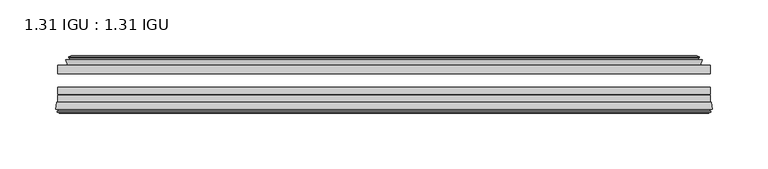
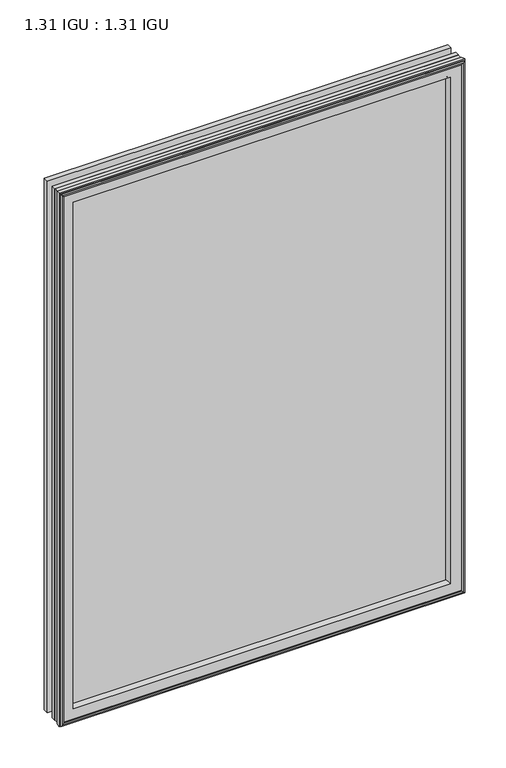
"""IFC4 building model written with IfcOpenShell, lengths in millimetres: plate geometry, 1.31 IGU : 1.31 IGU."""

import ifcopenshell
import ifcopenshell.guid

model = None  # the IFC model being written
_history = None  # IfcOwnerHistory: only IFC2X3 demands one
_inside = {}  # id of a spatial element -> (the spatial element, [elements in it])
_under = {}  # id of a project, library or spatial element -> (it, [spatial elements below it])
_declared = {}  # id of a project -> (the project, [libraries it declares])
_typed = {}  # id of a type object -> (the type object, [elements of that type])
_made_of = {}  # id of a material, layer set ... -> (it, [elements and type objects made of it])


def new_model(schema):
    """Start an empty IFC model of exactly this schema.

    Asked for "IFC4X3", IfcOpenShell would pick the latest addendum, in which some entities
    have other attributes; the version numbers below select the first issue.
    IFC2X3 requires an IfcOwnerHistory on every rooted entity: one is made here for all.
    """
    global model, _history
    if schema == "IFC4X3":
        model = ifcopenshell.file(schema_version=(4, 3, 0, 0))
    else:
        model = ifcopenshell.file(schema=schema)
    _inside.clear()
    _under.clear()
    _declared.clear()
    _typed.clear()
    _made_of.clear()
    _history = None
    if model.schema == "IFC2X3":
        org = make("IfcOrganization", Name="unknown")
        user = make(
            "IfcPersonAndOrganization",
            ThePerson=make("IfcPerson", FamilyName="unknown"),
            TheOrganization=org,
        )
        app = make(
            "IfcApplication",
            ApplicationDeveloper=org,
            Version="unknown",
            ApplicationFullName="unknown",
            ApplicationIdentifier="unknown",
        )
        _history = make(
            "IfcOwnerHistory",
            OwningUser=user,
            OwningApplication=app,
            ChangeAction="ADDED",
            CreationDate=0,
        )
    return model


def make(cls, **values):
    """One entity of the class cls with the attributes given. An attribute that is None is left unset."""
    return model.create_entity(
        cls, **{name: value for name, value in values.items() if value is not None}
    )


def rooted(cls, **values):
    """An entity with a GlobalId (a new one), such as an element, a storey or a relation."""
    return make(cls, GlobalId=ifcopenshell.guid.new(), OwnerHistory=_history, **values)


def si_unit(unit_type, name, prefix=None):
    """IfcSIUnit, for example si_unit("LENGTHUNIT", "METRE", prefix="MILLI")."""
    return make("IfcSIUnit", UnitType=unit_type, Prefix=prefix, Name=name)


def assignment(units):
    """IfcUnitAssignment: the units of a project."""
    return None if units is None else make("IfcUnitAssignment", Units=units)


def point(xyz):
    """IfcCartesianPoint."""
    return None if xyz is None else make("IfcCartesianPoint", Coordinates=xyz)


def direction(xyz):
    """IfcDirection."""
    return None if xyz is None else make("IfcDirection", DirectionRatios=xyz)


def frame(location, z_axis=None, x_axis=None):
    """IfcAxis2Placement3D, a coordinate frame: its origin and axes. An axis left out is left unset."""
    return make(
        "IfcAxis2Placement3D",
        Location=point(location),
        Axis=direction(z_axis),
        RefDirection=direction(x_axis),
    )


def origin():
    """The frame at (0, 0, 0) with its axes left unset."""
    return frame((0.0, 0.0, 0.0))


def place(relative_to, where):
    """IfcLocalPlacement: puts the frame where relative to a parent placement (None: the world)."""
    return make(
        "IfcLocalPlacement", PlacementRelTo=relative_to, RelativePlacement=where
    )


def context(
    kind, dimensions, precision=None, world=None, true_north=None, identifier=None
):
    """IfcGeometricRepresentationContext, for example the 3D "Model" context."""
    return make(
        "IfcGeometricRepresentationContext",
        ContextIdentifier=identifier,
        ContextType=kind,
        CoordinateSpaceDimension=dimensions,
        Precision=precision,
        WorldCoordinateSystem=world,
        TrueNorth=true_north,
    )


def project(units=None, contexts=None):
    """IfcProject with its units and contexts."""
    return rooted(
        "IfcProject",
        Name="project",
        RepresentationContexts=contexts,
        UnitsInContext=assignment(units),
    )


def spatial(cls, under=None, at=None, **own):
    """A site, building, storey or space (cls), placed at a placement, below another one or the project."""
    s = rooted(cls, ObjectPlacement=at, **own)
    if under is not None:
        _under.setdefault(under.id(), (under, []))[1].append(s)
    return s


def polyline(points):
    """IfcPolyline through the points."""
    return make("IfcPolyline", Points=[point(p) for p in points])


def ellipse_curve(where, semi_axis1, semi_axis2):
    """IfcEllipse in the frame where."""
    return make(
        "IfcEllipse", Position=where, SemiAxis1=semi_axis1, SemiAxis2=semi_axis2
    )


def outline(outer, holes=None, kind="AREA"):
    """IfcArbitraryClosedProfileDef: a profile drawn as a closed curve; with holes, ...WithVoids."""
    if holes is None:
        return make("IfcArbitraryClosedProfileDef", ProfileType=kind, OuterCurve=outer)
    return make(
        "IfcArbitraryProfileDefWithVoids",
        ProfileType=kind,
        OuterCurve=outer,
        InnerCurves=holes,
    )


def extrude(swept, where, along, depth):
    """IfcExtrudedAreaSolid: the profile swept, set in the frame where, extruded along a direction by depth."""
    return make(
        "IfcExtrudedAreaSolid",
        SweptArea=swept,
        Position=where,
        ExtrudedDirection=direction(along),
        Depth=depth,
    )


def faces_of(points, faces, orient=None, outer=None):
    """IfcFace entities. A face is a list of loops; a loop is a list of indices into points, from 0.

    orient and outer hold one flag for each loop. By default every Orientation is true, the
    first loop of a face is its IfcFaceOuterBound and the others are IfcFaceBound.
    """
    made = []
    for i, loops in enumerate(faces):
        bounds = []
        for j, loop in enumerate(loops):
            is_outer = j == 0 if outer is None else outer[i][j]
            bounds.append(
                make(
                    "IfcFaceOuterBound" if is_outer else "IfcFaceBound",
                    Bound=make("IfcPolyLoop", Polygon=[points[k] for k in loop]),
                    Orientation=True if orient is None else orient[i][j],
                )
            )
        made.append(make("IfcFace", Bounds=bounds))
    return made


def faceted_brep(points, faces, orient=None, outer=None, voids=None):
    """IfcFacetedBrep: a solid bounded by flat faces; with voids (closed shells), ...WithVoids."""
    shared = [point(p) for p in points]
    hull = make("IfcClosedShell", CfsFaces=faces_of(shared, faces, orient, outer))
    if voids is None:
        return make("IfcFacetedBrep", Outer=hull)
    return make(
        "IfcFacetedBrepWithVoids",
        Outer=hull,
        Voids=[
            make(cls, CfsFaces=faces_of(shared, fs, o, b)) for cls, fs, o, b in voids
        ],
    )


def shape(context_of_items, identifier, shape_type, items):
    """IfcShapeRepresentation: the items that make up one representation, for example the "Body"."""
    return make(
        "IfcShapeRepresentation",
        ContextOfItems=context_of_items,
        RepresentationIdentifier=identifier,
        RepresentationType=shape_type,
        Items=items,
    )


def source(mapping_origin, context_of_items, identifier, shape_type, items):
    """IfcRepresentationMap: a shape defined once, which mapped items show again and again."""
    return make(
        "IfcRepresentationMap",
        MappingOrigin=mapping_origin,
        MappedRepresentation=shape(context_of_items, identifier, shape_type, items),
    )


def transform(
    local_origin,
    x_axis=None,
    y_axis=None,
    z_axis=None,
    scale=None,
    scale2=None,
    scale3=None,
    uniform=True,
):
    """IfcCartesianTransformationOperator3D, or its non-uniform kind. x_axis, y_axis, z_axis: its Axis1, 2, 3."""
    if uniform:
        return make(
            "IfcCartesianTransformationOperator3D",
            Axis1=direction(x_axis),
            Axis2=direction(y_axis),
            LocalOrigin=point(local_origin),
            Scale=scale,
            Axis3=direction(z_axis),
        )
    return make(
        "IfcCartesianTransformationOperator3DnonUniform",
        Axis1=direction(x_axis),
        Axis2=direction(y_axis),
        LocalOrigin=point(local_origin),
        Scale=scale,
        Axis3=direction(z_axis),
        Scale2=scale2,
        Scale3=scale3,
    )


def mapped(mapping_source, mapping_target):
    """IfcMappedItem: shows the shape of a source again, moved by a transform."""
    return make(
        "IfcMappedItem", MappingSource=mapping_source, MappingTarget=mapping_target
    )


def made_of(thing, what):
    """Note that an element or type object is made of a material, layer set ...; save() writes the relation."""
    if what is not None:
        _made_of.setdefault(what.id(), (what, []))[1].append(thing)
    return thing


def element(
    cls,
    number,
    at=None,
    inside=None,
    cuts=None,
    type_object=None,
    material=None,
    context=None,
    identifier="Body",
    shape_type=None,
    held_by="IfcProductDefinitionShape",
    body=None,
    shapes=None,
    **own,
):
    """One element of the class cls, such as IfcWall. Its Tag is "e" and its number.

    at: its placement. inside: the storey or other place that contains it. cuts: it is an
    opening in that element (IfcRelVoidsElement). A single representation is given by context,
    identifier, shape_type and body (its items); several are given by shapes. held_by: the class
    of the entity that holds the representations. save() writes the other relations.
    """
    e = rooted(cls, Tag="e%d" % number, ObjectPlacement=at, **own)
    if body is not None:
        shapes = [shape(context, identifier, shape_type, body)]
    if shapes is not None:
        e.Representation = make(held_by, Representations=shapes)
    if inside is not None:
        _inside.setdefault(inside.id(), (inside, []))[1].append(e)
    if cuts is not None:
        rooted(
            "IfcRelVoidsElement", RelatingBuildingElement=cuts, RelatedOpeningElement=e
        )
    if type_object is not None:
        _typed.setdefault(type_object.id(), (type_object, []))[1].append(e)
    return made_of(e, material)


def aggregate(whole, parts):
    """IfcRelAggregates: a whole, such as a stair, and the parts it consists of."""
    return rooted("IfcRelAggregates", RelatingObject=whole, RelatedObjects=parts)


def save(model, path):
    """Write the relations noted so far, then the file.

    IfcRelAggregates (storeys below a building ...), IfcRelContainedInSpatialStructure (elements
    in a storey), IfcRelDefinesByType, IfcRelAssociatesMaterial and IfcRelDeclares: one each for
    every whole, place, type object, material and project.
    """
    for whole, parts in _under.values():
        aggregate(whole, parts)
    for where, things in _inside.values():
        rooted(
            "IfcRelContainedInSpatialStructure",
            RelatedElements=things,
            RelatingStructure=where,
        )
    for kind, things in _typed.values():
        rooted("IfcRelDefinesByType", RelatedObjects=things, RelatingType=kind)
    for what, things in _made_of.values():
        rooted("IfcRelAssociatesMaterial", RelatedObjects=things, RelatingMaterial=what)
    for by, libraries in _declared.values():
        rooted("IfcRelDeclares", RelatingContext=by, RelatedDefinitions=libraries)
    model.write(path)


def plane_surface(at):
    """IfcPlane: the flat surface through the origin of the frame at, square to its z axis."""
    return make("IfcPlane", Position=at)


def revolved_surface(curve, axis_point, axis_direction):
    """IfcSurfaceOfRevolution: the curve turned about the line through axis_point along axis_direction."""
    return make(
        "IfcSurfaceOfRevolution",
        SweptCurve=make("IfcArbitraryOpenProfileDef", ProfileType="CURVE", Curve=curve),
        AxisPosition=make("IfcAxis1Placement", Location=point(axis_point), Axis=direction(axis_direction)),
    )


def advanced_brep(points, edges, surfaces, faces):
    """IfcAdvancedBrep: a solid bounded by faces that lie on surfaces and meet in shared edges.

    An edge is (start, end): straight between two places in points (the first is 0);
    or (start, end, curve); or (start, end, curve, False) where it runs against its curve.
    A face is (place in surfaces, loops), or (place, loops, False) where it looks against
    its surface's normal. A loop lists edges by number (the first is 1), with a minus sign
    where the edge is run from its end to its start. The first loop is the outer one.
    """
    corners = [point(p) for p in points]
    vertices = [make("IfcVertexPoint", VertexGeometry=c) for c in corners]
    made = []
    for start, end, *more in edges:
        made.append(
            make(
                "IfcEdgeCurve",
                EdgeStart=vertices[start],
                EdgeEnd=vertices[end],
                EdgeGeometry=more[0] if more else make("IfcPolyline", Points=[corners[start], corners[end]]),
                SameSense=more[1] if len(more) > 1 else True,
            )
        )
    hull = []
    for where, loops, *sense in faces:
        bounds = []
        for j, loop in enumerate(loops):
            ring = [make("IfcOrientedEdge", EdgeElement=made[abs(k) - 1], Orientation=k > 0) for k in loop]
            bounds.append(
                make(
                    "IfcFaceOuterBound" if j == 0 else "IfcFaceBound",
                    Bound=make("IfcEdgeLoop", EdgeList=ring),
                    Orientation=True,
                )
            )
        hull.append(make("IfcAdvancedFace", Bounds=bounds, FaceSurface=surfaces[where], SameSense=sense[0] if sense else True))
    return make("IfcAdvancedBrep", Outer=make("IfcClosedShell", CfsFaces=hull))


def plate_1_31_igu_1_31_igu_fd04b143(model_context):
    return source(origin(), model_context, "Body", "SolidModel", [
        extrude(outline(polyline([(292.1, -17.9712937), (292.1, -25.8960937), (-292.1, -25.8960937), (-292.1, -17.9712937), (292.1, -17.9712937)])), frame((0.0, 0.0, -19.05), z_axis=(0.0, 0.0, 1.0), x_axis=(1.0, 0.0, 0.0)), (0.0, 0.0, 1.0), 812.8),
        extrude(outline(polyline([(-292.1, -51.2960937), (-292.1, -44.9460937), (292.1, -44.9460937), (292.1, -51.2960937), (-292.1, -51.2960937)])), frame((0.0, 0.0, -19.05), z_axis=(0.0, 0.0, 1.0), x_axis=(1.0, 0.0, 0.0)), (0.0, 0.0, 1.0), 812.8),
        extrude(outline(polyline([(-292.1, -44.1586938), (-292.1, -37.8086938), (292.1, -37.8086938), (292.1, -44.1586938), (-292.1, -44.1586938)])), frame((0.0, 0.0, -19.05), z_axis=(0.0, 0.0, 1.0), x_axis=(1.0, 0.0, 0.0)), (0.0, 0.0, 1.0), 812.8),
        faceted_brep([(-283.1814005, -17.9712937, 784.8314005), (-284.8256337, -13.1960937, 786.4756337), (-284.8256337, -13.1960937, -11.7756337), (-283.1814005, -17.9712937, -10.1314005), (-273.5707, -13.1960937, 775.2207), (-272.4012695, -17.9712937, 774.0512695), (-272.4012695, -17.9712937, 0.6487305), (-273.5707, -13.1960937, -0.5207), (-279.1354203, -10.902778, 780.7854203), (-278.5209281, -13.1960937, 780.1709281), (-278.5209281, -13.1960937, -5.4709281), (-279.1354203, -10.902778, -6.0854203), (-277.7431709, -11.27583, 779.3931709), (-277.7431709, -11.27583, -4.6931709), (-277.5118537, -10.4125422, 779.1618537), (-277.5118537, -10.4125422, -4.4618537), (-279.9207, -9.7670937, 781.5707), (-279.9207, -9.7670937, -6.8707), (-282.3295463, -10.4125422, 783.9795463), (-282.3295463, -10.4125422, -9.2795463), (-282.0982291, -11.27583, 783.7482291), (-282.0982291, -11.27583, -9.0482291), (-280.7114014, -10.9042307, 782.3614014), (-280.7114014, -10.9042307, -7.6614014), (-281.4560729, -13.1960937, 783.1060729), (-281.4560729, -13.1960937, -8.4060729), (284.8256337, -13.1960937, -11.7756337), (283.1814005, -17.9712937, -10.1314005), (272.4012695, -17.9712937, 0.6487305), (273.5707, -13.1960937, -0.5207), (278.5209281, -13.1960937, -5.4709281), (279.1354203, -10.902778, -6.0854203), (277.7431709, -11.27583, -4.6931709), (277.5118537, -10.4125422, -4.4618537), (279.9207, -9.7670937, -6.8707), (282.3295463, -10.4125422, -9.2795463), (282.0982291, -11.27583, -9.0482291), (280.7114014, -10.9042307, -7.6614014), (281.4560729, -13.1960937, -8.4060729), (284.8256337, -13.1960937, 786.4756337), (283.1814005, -17.9712937, 784.8314005), (272.4012695, -17.9712937, 774.0512695), (273.5707, -13.1960937, 775.2207), (278.5209281, -13.1960937, 780.1709281), (279.1354203, -10.902778, 780.7854203), (277.7431709, -11.27583, 779.3931709), (277.5118537, -10.4125422, 779.1618537), (279.9207, -9.7670937, 781.5707), (282.3295463, -10.4125422, 783.9795463), (282.0982291, -11.27583, 783.7482291), (280.7114014, -10.9042307, 782.3614014), (281.4560729, -13.1960937, 783.1060729)], [[[0, 1, 2, 3]], [[4, 5, 6, 7]], [[8, 9, 10, 11]], [[12, 8, 11, 13]], [[14, 12, 13, 15]], [[16, 14, 15, 17]], [[18, 16, 17, 19]], [[20, 18, 19, 21]], [[22, 20, 21, 23]], [[24, 22, 23, 25]], [[3, 2, 26, 27]], [[7, 6, 28, 29]], [[11, 10, 30, 31]], [[13, 11, 31, 32]], [[15, 13, 32, 33]], [[17, 15, 33, 34]], [[19, 17, 34, 35]], [[21, 19, 35, 36]], [[23, 21, 36, 37]], [[25, 23, 37, 38]], [[27, 26, 39, 40]], [[29, 28, 41, 42]], [[31, 30, 43, 44]], [[32, 31, 44, 45]], [[33, 32, 45, 46]], [[34, 33, 46, 47]], [[35, 34, 47, 48]], [[36, 35, 48, 49]], [[37, 36, 49, 50]], [[38, 37, 50, 51]], [[40, 39, 1, 0]], [[3, 27, 40, 0], [5, 41, 28, 6]], [[42, 41, 5, 4]], [[9, 43, 30, 10], [7, 29, 42, 4]], [[44, 43, 9, 8]], [[45, 44, 8, 12]], [[46, 45, 12, 14]], [[47, 46, 14, 16]], [[48, 47, 16, 18]], [[49, 48, 18, 20]], [[50, 49, 20, 22]], [[51, 50, 22, 24]], [[1, 39, 26, 2], [25, 38, 51, 24]]]),
        advanced_brep(
        [(-269.4126851, -51.2960937, 771.0626851), (-273.05, -57.6460937, 774.7), (-273.05, -57.6460937, 0.0), (-269.4126851, -51.2960937, 3.6373149), (-293.6957783, -57.6460937, 795.3457783), (-292.9160964, -51.2960937, 794.5660964), (-292.9160964, -51.2960937, -19.8660964), (-293.6957783, -57.6460937, -20.6457783), (-291.2957744, -59.6558685, 792.9457744), (-291.7548013, -57.6460937, 793.4048013), (-291.7548013, -57.6460937, -18.7048013), (-291.2957744, -59.6558685, -18.2457744), (-292.2794588, -59.3738016, 793.9294588), (-292.2794588, -59.3738016, -19.2294588), (-292.5329433, -60.2578071, 794.1829433), (-292.5329433, -60.2578071, -19.4829433), (-290.5099998, -60.8378768, 792.1599998), (-290.5099998, -60.8378768, -17.4599998), (-288.4663389, -60.2902795, 790.1163389), (-288.4663389, -60.2902795, -15.4163389), (-288.7112083, -59.3764147, 790.3612083), (-288.7112083, -59.3764147, -15.6612083), (-289.7338421, -59.6504286, 791.3838421), (-289.7338421, -59.6504286, -16.6838421), (-289.2711049, -57.6460937, 790.9211049), (-289.2711049, -57.6460937, -16.2211049), (273.05, -57.6460938, 0.0), (269.4126851, -51.2960937, 3.6373149), (292.9160964, -51.2960937, -19.8660964), (293.6957783, -57.6460938, -20.6457783), (291.7548013, -57.6460938, -18.7048013), (291.2957744, -59.6558685, -18.2457744), (292.2794588, -59.3738016, -19.2294588), (292.5329433, -60.2578071, -19.4829433), (290.5099998, -60.8378768, -17.4599998), (288.4663389, -60.2902795, -15.4163389), (288.7112083, -59.3764147, -15.6612083), (289.7338421, -59.6504286, -16.6838421), (289.2711049, -57.6460938, -16.2211049), (273.05, -57.6460938, 774.7), (269.4126851, -51.2960937, 771.0626851), (292.9160964, -51.2960937, 794.5660964), (293.6957783, -57.6460938, 795.3457783), (291.7548013, -57.6460938, 793.4048013), (291.2957744, -59.6558685, 792.9457744), (292.2794588, -59.3738016, 793.9294588), (292.5329433, -60.2578071, 794.1829433), (290.5099998, -60.8378768, 792.1599998), (288.4663389, -60.2902795, 790.1163389), (288.7112083, -59.3764147, 790.3612083), (289.7338421, -59.6504286, 791.3838421), (289.2711049, -57.6460938, 790.9211049)],
        [
            (0, 1, ellipse_curve(frame((-264.619055, -58.2586484, 766.269055), z_axis=(0.7071067811865475, 0.0, 0.7071067811865475), x_axis=(0.7071067811865474, 0.0, -0.7071067811865476)), 11.9545855, 8.4531685)),
            (1, 2),
            (2, 3, ellipse_curve(frame((-264.619055, -58.2586484, 8.430945), z_axis=(0.7071067811865475, 0.0, -0.7071067811865475), x_axis=(-0.7071067811865474, 0.0, -0.7071067811865476)), 11.9545855, 8.4531685)),
            (3, 0),
            (4, 5),
            (5, 6),
            (6, 7),
            (7, 4),
            (8, 9),
            (9, 10),
            (10, 11),
            (11, 8),
            (12, 8),
            (11, 13),
            (13, 12),
            (14, 12),
            (13, 15),
            (15, 14),
            (16, 14),
            (15, 17),
            (17, 16),
            (18, 16),
            (17, 19),
            (19, 18),
            (20, 18),
            (19, 21),
            (21, 20),
            (22, 20),
            (21, 23),
            (23, 22),
            (24, 22),
            (23, 25),
            (25, 24),
            (2, 26),
            (26, 27, ellipse_curve(frame((264.619055, -58.2586484, 8.430945), z_axis=(0.7071067811865475, 0.0, 0.7071067811865475), x_axis=(0.7071067811865476, 0.0, -0.7071067811865474)), 11.9545855, 8.4531685)),
            (27, 3),
            (6, 28),
            (28, 29),
            (29, 7),
            (10, 30),
            (30, 31),
            (31, 11),
            (31, 32),
            (32, 13),
            (32, 33),
            (33, 15),
            (33, 34),
            (34, 17),
            (34, 35),
            (35, 19),
            (35, 36),
            (36, 21),
            (36, 37),
            (37, 23),
            (37, 38),
            (38, 25),
            (26, 39),
            (39, 40, ellipse_curve(frame((264.619055, -58.2586484, 766.269055), z_axis=(-0.7071067811865475, 0.0, 0.7071067811865475), x_axis=(0.7071067811865474, 0.0, 0.7071067811865476)), 11.9545855, 8.4531685)),
            (40, 27),
            (28, 41),
            (41, 42),
            (42, 29),
            (30, 43),
            (43, 44),
            (44, 31),
            (44, 45),
            (45, 32),
            (45, 46),
            (46, 33),
            (46, 47),
            (47, 34),
            (47, 48),
            (48, 35),
            (48, 49),
            (49, 36),
            (49, 50),
            (50, 37),
            (50, 51),
            (51, 38),
            (51, 24),
            (1, 39),
            (0, 40),
            (5, 41),
            (4, 42),
            (9, 43),
            (8, 44),
            (12, 45),
            (14, 46),
            (16, 47),
            (18, 48),
            (20, 49),
            (22, 50),
        ],
        [
            revolved_surface(polyline([(-273.0722235, -58.2586484, -0.02222347332440222), (-273.0722235, -58.2586484, 774.7222234733243)]), (-264.619055, -58.2586484, 806.45), (0.0, 0.0, -1.0)),
            plane_surface(frame((-292.9160964, -51.2960937, 794.5660964), z_axis=(-0.9925461516413234, 0.12186934340513635, 0.0), x_axis=(0.0, 0.0, -1.0))),
            plane_surface(frame((-291.7548013, -57.6460937, 793.4048013), z_axis=(-0.9748953990049444, -0.22266333555165796, 0.0), x_axis=(0.0, 0.0, -1.0))),
            plane_surface(frame((-291.2957744, -59.6558685, 792.9457744), z_axis=(0.27563735581726606, 0.9612616959382424, 0.0), x_axis=(0.0, 0.0, -1.0))),
            plane_surface(frame((-292.2794588, -59.3738016, 793.9294588), z_axis=(-0.9612616959382463, 0.2756373558172523, 0.0), x_axis=(0.0, 0.0, -1.0))),
            plane_surface(frame((-292.5329433, -60.2578071, 794.1829433), z_axis=(-0.2756373558170135, -0.9612616959383148, 0.0), x_axis=(0.0, 0.0, -1.0))),
            plane_surface(frame((-290.5099998, -60.8378768, 792.1599998), z_axis=(0.25881904510226056, -0.965925826289138, 0.0), x_axis=(0.0, 0.0, -1.0))),
            plane_surface(frame((-288.4663389, -60.2902795, 790.1163389), z_axis=(0.9659258262891444, 0.25881904510223736, 0.0), x_axis=(0.0, 0.0, -1.0))),
            plane_surface(frame((-288.7112083, -59.3764147, 790.3612083), z_axis=(-0.2588190451025015, 0.9659258262890735, 0.0), x_axis=(0.0, 0.0, -1.0))),
            plane_surface(frame((-289.7338421, -59.6504286, 791.3838421), z_axis=(0.9743700647852117, -0.22495105434396692, 0.0), x_axis=(0.0, 0.0, -1.0))),
            revolved_surface(polyline([(273.0722234733244, -58.2586484, -0.02222350000000084), (-273.07222347332436, -58.2586484, -0.02222350000000084)]), (-304.8, -58.2586484, 8.430945), (1.0, 0.0, 0.0)),
            plane_surface(frame((-292.9160964, -51.2960937, -19.8660964), z_axis=(0.0, 0.12186934340513315, -0.9925461516413239), x_axis=(1.0, 0.0, 0.0))),
            plane_surface(frame((-291.7548013, -57.6460937, -18.7048013), z_axis=(0.0, -0.2226633355516611, -0.9748953990049437), x_axis=(1.0, 0.0, 0.0))),
            plane_surface(frame((-291.2957744, -59.6558685, -18.2457744), z_axis=(0.0, 0.9612616959382433, 0.27563735581726295), x_axis=(1.0, 0.0, 0.0))),
            plane_surface(frame((-292.2794588, -59.3738016, -19.2294588), z_axis=(0.0, 0.2756373558172492, -0.9612616959382472), x_axis=(1.0, 0.0, 0.0))),
            plane_surface(frame((-292.5329433, -60.2578071, -19.4829433), z_axis=(0.0, -0.9612616959383157, -0.2756373558170104), x_axis=(1.0, 0.0, 0.0))),
            plane_surface(frame((-290.5099998, -60.8378768, -17.4599998), z_axis=(0.0, -0.9659258262891373, 0.2588190451022637), x_axis=(1.0, 0.0, 0.0))),
            plane_surface(frame((-288.4663389, -60.2902795, -15.4163389), z_axis=(0.0, 0.25881904510224046, 0.9659258262891435), x_axis=(1.0, 0.0, 0.0))),
            plane_surface(frame((-288.7112083, -59.3764147, -15.6612083), z_axis=(0.0, 0.9659258262890726, -0.2588190451025046), x_axis=(1.0, 0.0, 0.0))),
            plane_surface(frame((-289.7338421, -59.6504286, -16.6838421), z_axis=(0.0, -0.22495105434396379, 0.9743700647852125), x_axis=(1.0, 0.0, 0.0))),
            revolved_surface(polyline([(273.0722235, -58.2586484, 774.7222234733243), (273.0722235, -58.2586484, -0.022223473324370246)]), (264.619055, -58.2586484, -31.75), (0.0, 0.0, 1.0)),
            plane_surface(frame((292.9160964, -51.2960937, -19.8660964), z_axis=(0.9925461516413243, 0.12186934340512996, 0.0), x_axis=(0.0, 0.0, 1.0))),
            plane_surface(frame((291.7548013, -57.6460938, -18.7048013), z_axis=(0.974895399004943, -0.22266333555166423, 0.0), x_axis=(0.0, 0.0, 1.0))),
            plane_surface(frame((291.2957744, -59.6558685, -18.2457744), z_axis=(-0.27563735581725984, 0.9612616959382442, 0.0), x_axis=(0.0, 0.0, 1.0))),
            plane_surface(frame((292.2794588, -59.3738016, -19.2294588), z_axis=(0.9612616959382481, 0.2756373558172461, 0.0), x_axis=(0.0, 0.0, 1.0))),
            plane_surface(frame((292.5329433, -60.2578071, -19.4829433), z_axis=(0.27563735581700727, -0.9612616959383166, 0.0), x_axis=(0.0, 0.0, 1.0))),
            plane_surface(frame((290.5099998, -60.8378768, -17.4599998), z_axis=(-0.25881904510226683, -0.9659258262891364, 0.0), x_axis=(0.0, 0.0, 1.0))),
            plane_surface(frame((288.4663389, -60.2902795, -15.4163389), z_axis=(-0.9659258262891426, 0.2588190451022436, 0.0), x_axis=(0.0, 0.0, 1.0))),
            plane_surface(frame((288.7112083, -59.3764147, -15.6612083), z_axis=(0.2588190451025077, 0.9659258262890718, 0.0), x_axis=(0.0, 0.0, 1.0))),
            plane_surface(frame((289.7338421, -59.6504286, -16.6838421), z_axis=(-0.9743700647852133, -0.22495105434396065, 0.0), x_axis=(0.0, 0.0, 1.0))),
            plane_surface(frame((289.2711049, -57.6460938, 790.9211049), z_axis=(0.0, -1.0, 0.0), x_axis=(-1.0, 0.0, 0.0))),
            revolved_surface(polyline([(-273.0722234733244, -58.2586484, 774.7222234999999), (273.07222347332436, -58.2586484, 774.7222234999999)]), (304.8, -58.2586484, 766.269055), (-1.0, 0.0, 0.0)),
            plane_surface(frame((269.4126851, -51.2960937, 771.0626851), z_axis=(0.0, 1.0, 0.0), x_axis=(-1.0, 0.0, 0.0))),
            plane_surface(frame((292.9160964, -51.2960937, 794.5660964), z_axis=(0.0, 0.12186934340513315, 0.9925461516413239), x_axis=(-1.0, 0.0, 0.0))),
            plane_surface(frame((293.6957783, -57.6460938, 795.3457783), z_axis=(0.0, -1.0, 0.0), x_axis=(-1.0, 0.0, 0.0))),
            plane_surface(frame((291.7548013, -57.6460938, 793.4048013), z_axis=(0.0, -0.2226633355516611, 0.9748953990049437), x_axis=(-1.0, 0.0, 0.0))),
            plane_surface(frame((291.2957744, -59.6558685, 792.9457744), z_axis=(0.0, 0.9612616959382433, -0.27563735581726295), x_axis=(-1.0, 0.0, 0.0))),
            plane_surface(frame((292.2794588, -59.3738016, 793.9294588), z_axis=(0.0, 0.2756373558172492, 0.9612616959382472), x_axis=(-1.0, 0.0, 0.0))),
            plane_surface(frame((292.5329433, -60.2578071, 794.1829433), z_axis=(0.0, -0.9612616959383157, 0.2756373558170104), x_axis=(-1.0, 0.0, 0.0))),
            plane_surface(frame((290.5099998, -60.8378768, 792.1599998), z_axis=(0.0, -0.9659258262891373, -0.2588190451022637), x_axis=(-1.0, 0.0, 0.0))),
            plane_surface(frame((288.4663389, -60.2902795, 790.1163389), z_axis=(0.0, 0.25881904510224046, -0.9659258262891435), x_axis=(-1.0, 0.0, 0.0))),
            plane_surface(frame((288.7112083, -59.3764147, 790.3612083), z_axis=(0.0, 0.9659258262890726, 0.2588190451025046), x_axis=(-1.0, 0.0, 0.0))),
            plane_surface(frame((289.7338421, -59.6504286, 791.3838421), z_axis=(0.0, -0.22495105434396379, -0.9743700647852125), x_axis=(-1.0, 0.0, 0.0))),
        ],
        [
            (0, [[1, 2, 3, 4]]),
            (1, [[5, 6, 7, 8]]),
            (2, [[9, 10, 11, 12]]),
            (3, [[13, -12, 14, 15]]),
            (4, [[16, -15, 17, 18]]),
            (5, [[19, -18, 20, 21]]),
            (6, [[22, -21, 23, 24]]),
            (7, [[25, -24, 26, 27]]),
            (8, [[28, -27, 29, 30]]),
            (9, [[31, -30, 32, 33]]),
            (10, [[-3, 34, 35, 36]]),
            (11, [[-7, 37, 38, 39]]),
            (12, [[-11, 40, 41, 42]]),
            (13, [[-14, -42, 43, 44]]),
            (14, [[-17, -44, 45, 46]]),
            (15, [[-20, -46, 47, 48]]),
            (16, [[-23, -48, 49, 50]]),
            (17, [[-26, -50, 51, 52]]),
            (18, [[-29, -52, 53, 54]]),
            (19, [[-32, -54, 55, 56]]),
            (20, [[-35, 57, 58, 59]]),
            (21, [[-38, 60, 61, 62]]),
            (22, [[-41, 63, 64, 65]]),
            (23, [[-43, -65, 66, 67]]),
            (24, [[-45, -67, 68, 69]]),
            (25, [[-47, -69, 70, 71]]),
            (26, [[-49, -71, 72, 73]]),
            (27, [[-51, -73, 74, 75]]),
            (28, [[-53, -75, 76, 77]]),
            (29, [[-55, -77, 78, 79]]),
            (30, [[-56, -79, 80, -33], [81, -57, -34, -2]]),
            (31, [[-58, -81, -1, 82]]),
            (32, [[83, -60, -37, -6], [-36, -59, -82, -4]]),
            (33, [[-61, -83, -5, 84]]),
            (34, [[-39, -62, -84, -8], [85, -63, -40, -10]]),
            (35, [[-64, -85, -9, 86]]),
            (36, [[-66, -86, -13, 87]]),
            (37, [[-68, -87, -16, 88]]),
            (38, [[-70, -88, -19, 89]]),
            (39, [[-72, -89, -22, 90]]),
            (40, [[-74, -90, -25, 91]]),
            (41, [[-76, -91, -28, 92]]),
            (42, [[-78, -92, -31, -80]]),
        ],
    ),
    ])


if __name__ == "__main__":
    model = new_model("IFC4")
    model_context = context("Model", 3, world=origin())
    ifc_project = project(units=[si_unit("LENGTHUNIT", "METRE", prefix="MILLI")], contexts=[model_context])
    site = spatial("IfcSite", under=ifc_project)
    building = spatial("IfcBuilding", under=site)
    placement = place(None, origin())
    plate_1_31_igu_1_31_igu_shape = plate_1_31_igu_1_31_igu_fd04b143(model_context)
    element("IfcPlate", 1, ObjectType="1.31 IGU : 1.31 IGU", at=placement, inside=building, context=model_context, shape_type="MappedRepresentation", body=[
        mapped(plate_1_31_igu_1_31_igu_shape, transform((0.0, 0.0, 0.0), x_axis=(1.0, 0.0, 0.0), y_axis=(0.0, 1.0, 0.0), z_axis=(0.0, 0.0, 1.0))),
    ])
    save(model, "model.ifc")
